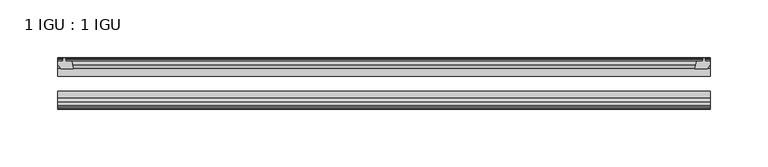
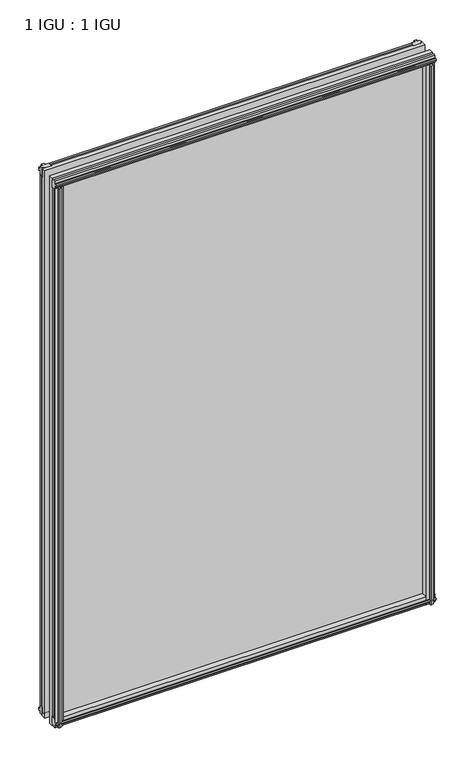
"""IFC4 building model written with IfcOpenShell, lengths in millimetres: plate geometry, 1 IGU : 1 IGU."""

from ifc_helpers import new_model, si_unit, frame, origin, place, context, project, spatial, polyline, outline, extrude, source, transform, mapped, element, save


def plate_1_igu_1_igu_9ee79145(model_context):
    return source(origin(), model_context, "Body", "SweptSolid", [
        extrude(outline(polyline([(258.3700982, -10.4746158), (260.5476272, -9.7670938), (262.7251563, -10.4746158), (262.7251563, -11.27583), (261.3096272, -10.8158968), (261.6906272, -13.1960938), (266.1356272, -13.1960938), (266.1356272, -16.1424938), (263.3012851, -19.5460938), (252.4799092, -19.5460938), (254.1976272, -13.1960938), (259.4046272, -13.1960938), (259.7856272, -10.8158968), (258.3700982, -11.27583), (258.3700982, -10.4746158)])), frame((0.0, 0.0, -12.4587), z_axis=(0.0, 0.0, 1.0), x_axis=(1.0, 0.0, 0.0)), (0.0, 0.0, 1.0), 863.1174001),
        extrude(outline(polyline([(-295.7702835, -9.7670937), (-293.5927544, -10.4746158), (-293.5927544, -11.27583), (-295.0082835, -10.8158968), (-294.6272835, -13.1960937), (-289.4202835, -13.1960937), (-287.7025654, -19.5460937), (-298.5239413, -19.5460937), (-301.3582835, -16.1424937), (-301.3582835, -13.1960937), (-296.9132835, -13.1960937), (-296.5322835, -10.8158968), (-297.9478125, -11.27583), (-297.9478125, -10.4746158), (-295.7702835, -9.7670937)])), frame((0.0, 0.0, -12.4587), z_axis=(0.0, 0.0, 1.0), x_axis=(1.0, 0.0, 0.0)), (0.0, 0.0, 1.0), 863.1174001),
        extrude(outline(polyline([(251.9625111, -44.9460938), (262.783887, -44.9460938), (265.6182292, -48.3496938), (265.6182292, -51.2960938), (261.1732292, -51.2960938), (260.7922292, -53.6762907), (262.2077583, -53.2163575), (262.2077583, -54.0175717), (260.0302292, -54.7250938), (257.8527002, -54.0175717), (257.8527002, -53.2163575), (259.2682292, -53.6762907), (258.8872292, -51.2960938), (253.6802292, -51.2960938), (251.9625111, -44.9460938)])), frame((0.0, 0.0, -12.4587), z_axis=(0.0, 0.0, 1.0), x_axis=(1.0, 0.0, 0.0)), (0.0, 0.0, 1.0), 850.4174001),
        extrude(outline(polyline([(-287.1818654, -44.9460937), (-288.8995835, -51.2960937), (-294.1065835, -51.2960937), (-294.4875835, -53.6762907), (-293.0720544, -53.2163575), (-293.0720544, -54.0175717), (-295.2495835, -54.7250937), (-297.4271125, -54.0175717), (-297.4271125, -53.2163575), (-296.0115835, -53.6762907), (-296.3925835, -51.2960937), (-300.8375835, -51.2960937), (-300.8375835, -48.3496937), (-298.0032413, -44.9460937), (-287.1818654, -44.9460937)])), frame((0.0, 0.0, -12.4587), z_axis=(0.0, 0.0, 1.0), x_axis=(1.0, 0.0, 0.0)), (0.0, 0.0, 1.0), 850.4174001),
        extrude(outline(polyline([(-10.4746158, -4.6931709), (-9.7670937, -6.8707), (-10.4746158, -9.0482291), (-11.27583, -9.0482291), (-10.8158968, -7.6327), (-13.1960937, -8.0137), (-13.1960937, -12.4587), (-16.1424937, -12.4587), (-19.5460937, -9.6243578), (-19.5460937, 1.1970181), (-13.1960937, -0.5207), (-13.1960937, -5.7277), (-10.8158968, -6.1087), (-11.27583, -4.6931709), (-10.4746158, -4.6931709)])), frame((-301.5995835, 0.0, 0.0), z_axis=(1.0, 0.0, 0.0), x_axis=(0.0, 1.0, 0.0)), (0.0, 0.0, 1.0), 567.7780732),
        extrude(outline(polyline([(-44.9460937, 1.7177181), (-44.9460937, -9.1036578), (-48.3496937, -11.938), (-51.2960937, -11.938), (-51.2960937, -7.493), (-53.6762907, -7.112), (-53.2163575, -8.5275291), (-54.0175717, -8.5275291), (-54.7250937, -6.35), (-54.0175717, -4.1724709), (-53.2163575, -4.1724709), (-53.6762907, -5.588), (-51.2960937, -5.207), (-51.2960937, 0.0), (-44.9460937, 1.7177181)])), frame((-301.5995835, 0.0, 0.0), z_axis=(1.0, 0.0, 0.0), x_axis=(0.0, 1.0, 0.0)), (0.0, 0.0, 1.0), 567.7780732),
        extrude(outline(polyline([(-10.8158968, 845.8327001), (-11.27583, 847.2482291), (-10.4746158, 847.2482291), (-9.7670937, 845.0707001), (-10.4746158, 842.893171), (-11.27583, 842.893171), (-10.8158968, 844.3087001), (-13.1960937, 843.9277001), (-13.1960937, 838.7207001), (-19.5460938, 837.002982), (-19.5460938, 847.8243579), (-16.1424937, 850.6587001), (-13.1960937, 850.6587001), (-13.1960937, 846.2137001), (-10.8158968, 845.8327001)])), frame((-301.5995835, 0.0, 0.0), z_axis=(1.0, 0.0, 0.0), x_axis=(0.0, 1.0, 0.0)), (0.0, 0.0, 1.0), 567.7780732),
        extrude(outline(polyline([(-51.2960937, 850.1380001), (-48.3496937, 850.1380001), (-44.9460938, 847.3036579), (-44.9460938, 836.482282), (-51.2960937, 838.2000001), (-51.2960937, 843.4070001), (-53.6762907, 843.7880001), (-53.2163575, 842.372471), (-54.0175717, 842.372471), (-54.7250937, 844.5500001), (-54.0175717, 846.7275291), (-53.2163575, 846.7275291), (-53.6762907, 845.3120001), (-51.2960937, 845.6930001), (-51.2960937, 850.1380001)])), frame((-301.5995835, 0.0, 0.0), z_axis=(1.0, 0.0, 0.0), x_axis=(0.0, 1.0, 0.0)), (0.0, 0.0, 1.0), 567.7780732),
        extrude(outline(polyline([(-301.5995835, -38.9186738), (266.1784897, -38.9186738), (266.1784897, -44.9460937), (-301.5995835, -44.9460937), (-301.5995835, -38.9186738)])), frame((0.0, 0.0, -12.7), z_axis=(0.0, 0.0, 1.0), x_axis=(1.0, 0.0, 0.0)), (0.0, 0.0, 1.0), 863.6000001),
        extrude(outline(polyline([(-301.5995835, -19.5460937), (266.1784897, -19.5460937), (266.1784897, -25.8960938), (-301.5995835, -25.8960938), (-301.5995835, -19.5460937)])), frame((0.0, 0.0, -12.7), z_axis=(0.0, 0.0, 1.0), x_axis=(1.0, 0.0, 0.0)), (0.0, 0.0, 1.0), 863.6000001),
    ])


if __name__ == "__main__":
    model = new_model("IFC4")
    model_context = context("Model", 3, world=origin())
    ifc_project = project(units=[si_unit("LENGTHUNIT", "METRE", prefix="MILLI")], contexts=[model_context])
    site = spatial("IfcSite", under=ifc_project)
    building = spatial("IfcBuilding", under=site)
    placement = place(None, origin())
    plate_1_igu_1_igu_shape = plate_1_igu_1_igu_9ee79145(model_context)
    element("IfcPlate", 1, ObjectType="1 IGU : 1 IGU", at=placement, inside=building, context=model_context, shape_type="MappedRepresentation", body=[
        mapped(plate_1_igu_1_igu_shape, transform((0.0, 0.0, 0.0), x_axis=(1.0, 0.0, 0.0), y_axis=(0.0, 1.0, 0.0), z_axis=(0.0, 0.0, 1.0))),
    ])
    save(model, "model.ifc")
